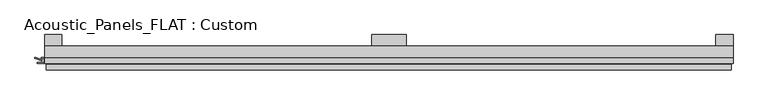
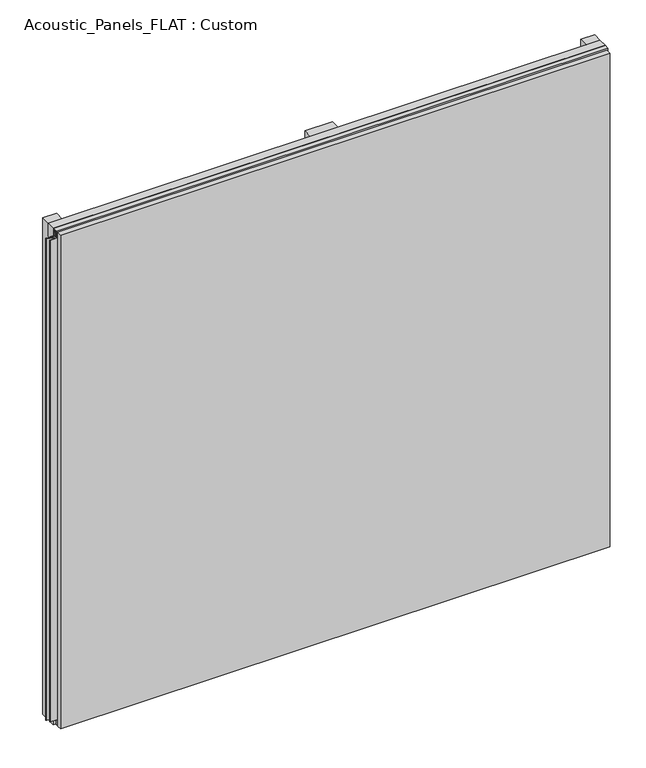
"""IFC4 building model written with IfcOpenShell, lengths in millimetres: plate geometry, Acoustic_Panels_FLAT : Custom."""

import ifcopenshell
import ifcopenshell.guid

model = None  # the IFC model being written
_history = None  # IfcOwnerHistory: only IFC2X3 demands one
_inside = {}  # id of a spatial element -> (the spatial element, [elements in it])
_under = {}  # id of a project, library or spatial element -> (it, [spatial elements below it])
_declared = {}  # id of a project -> (the project, [libraries it declares])
_typed = {}  # id of a type object -> (the type object, [elements of that type])
_made_of = {}  # id of a material, layer set ... -> (it, [elements and type objects made of it])


def new_model(schema):
    """Start an empty IFC model of exactly this schema.

    Asked for "IFC4X3", IfcOpenShell would pick the latest addendum, in which some entities
    have other attributes; the version numbers below select the first issue.
    IFC2X3 requires an IfcOwnerHistory on every rooted entity: one is made here for all.
    """
    global model, _history
    if schema == "IFC4X3":
        model = ifcopenshell.file(schema_version=(4, 3, 0, 0))
    else:
        model = ifcopenshell.file(schema=schema)
    _inside.clear()
    _under.clear()
    _declared.clear()
    _typed.clear()
    _made_of.clear()
    _history = None
    if model.schema == "IFC2X3":
        org = make("IfcOrganization", Name="unknown")
        user = make(
            "IfcPersonAndOrganization",
            ThePerson=make("IfcPerson", FamilyName="unknown"),
            TheOrganization=org,
        )
        app = make(
            "IfcApplication",
            ApplicationDeveloper=org,
            Version="unknown",
            ApplicationFullName="unknown",
            ApplicationIdentifier="unknown",
        )
        _history = make(
            "IfcOwnerHistory",
            OwningUser=user,
            OwningApplication=app,
            ChangeAction="ADDED",
            CreationDate=0,
        )
    return model


def make(cls, **values):
    """One entity of the class cls with the attributes given. An attribute that is None is left unset."""
    return model.create_entity(
        cls, **{name: value for name, value in values.items() if value is not None}
    )


def rooted(cls, **values):
    """An entity with a GlobalId (a new one), such as an element, a storey or a relation."""
    return make(cls, GlobalId=ifcopenshell.guid.new(), OwnerHistory=_history, **values)


def si_unit(unit_type, name, prefix=None):
    """IfcSIUnit, for example si_unit("LENGTHUNIT", "METRE", prefix="MILLI")."""
    return make("IfcSIUnit", UnitType=unit_type, Prefix=prefix, Name=name)


def assignment(units):
    """IfcUnitAssignment: the units of a project."""
    return None if units is None else make("IfcUnitAssignment", Units=units)


def point(xyz):
    """IfcCartesianPoint."""
    return None if xyz is None else make("IfcCartesianPoint", Coordinates=xyz)


def direction(xyz):
    """IfcDirection."""
    return None if xyz is None else make("IfcDirection", DirectionRatios=xyz)


def frame(location, z_axis=None, x_axis=None):
    """IfcAxis2Placement3D, a coordinate frame: its origin and axes. An axis left out is left unset."""
    return make(
        "IfcAxis2Placement3D",
        Location=point(location),
        Axis=direction(z_axis),
        RefDirection=direction(x_axis),
    )


def origin():
    """The frame at (0, 0, 0) with its axes left unset."""
    return frame((0.0, 0.0, 0.0))


def origin_with_axes():
    """The frame at (0, 0, 0) with the z axis (0, 0, 1) and the x axis (1, 0, 0) written out."""
    return frame((0.0, 0.0, 0.0), z_axis=(0.0, 0.0, 1.0), x_axis=(1.0, 0.0, 0.0))


def place(relative_to, where):
    """IfcLocalPlacement: puts the frame where relative to a parent placement (None: the world)."""
    return make(
        "IfcLocalPlacement", PlacementRelTo=relative_to, RelativePlacement=where
    )


def context(
    kind, dimensions, precision=None, world=None, true_north=None, identifier=None
):
    """IfcGeometricRepresentationContext, for example the 3D "Model" context."""
    return make(
        "IfcGeometricRepresentationContext",
        ContextIdentifier=identifier,
        ContextType=kind,
        CoordinateSpaceDimension=dimensions,
        Precision=precision,
        WorldCoordinateSystem=world,
        TrueNorth=true_north,
    )


def project(units=None, contexts=None):
    """IfcProject with its units and contexts."""
    return rooted(
        "IfcProject",
        Name="project",
        RepresentationContexts=contexts,
        UnitsInContext=assignment(units),
    )


def spatial(cls, under=None, at=None, **own):
    """A site, building, storey or space (cls), placed at a placement, below another one or the project."""
    s = rooted(cls, ObjectPlacement=at, **own)
    if under is not None:
        _under.setdefault(under.id(), (under, []))[1].append(s)
    return s


def polyline(points):
    """IfcPolyline through the points."""
    return make("IfcPolyline", Points=[point(p) for p in points])


def outline(outer, holes=None, kind="AREA"):
    """IfcArbitraryClosedProfileDef: a profile drawn as a closed curve; with holes, ...WithVoids."""
    if holes is None:
        return make("IfcArbitraryClosedProfileDef", ProfileType=kind, OuterCurve=outer)
    return make(
        "IfcArbitraryProfileDefWithVoids",
        ProfileType=kind,
        OuterCurve=outer,
        InnerCurves=holes,
    )


def extrude(swept, where, along, depth):
    """IfcExtrudedAreaSolid: the profile swept, set in the frame where, extruded along a direction by depth."""
    return make(
        "IfcExtrudedAreaSolid",
        SweptArea=swept,
        Position=where,
        ExtrudedDirection=direction(along),
        Depth=depth,
    )


def faces_of(points, faces, orient=None, outer=None):
    """IfcFace entities. A face is a list of loops; a loop is a list of indices into points, from 0.

    orient and outer hold one flag for each loop. By default every Orientation is true, the
    first loop of a face is its IfcFaceOuterBound and the others are IfcFaceBound.
    """
    made = []
    for i, loops in enumerate(faces):
        bounds = []
        for j, loop in enumerate(loops):
            is_outer = j == 0 if outer is None else outer[i][j]
            bounds.append(
                make(
                    "IfcFaceOuterBound" if is_outer else "IfcFaceBound",
                    Bound=make("IfcPolyLoop", Polygon=[points[k] for k in loop]),
                    Orientation=True if orient is None else orient[i][j],
                )
            )
        made.append(make("IfcFace", Bounds=bounds))
    return made


def faceted_brep(points, faces, orient=None, outer=None, voids=None):
    """IfcFacetedBrep: a solid bounded by flat faces; with voids (closed shells), ...WithVoids."""
    shared = [point(p) for p in points]
    hull = make("IfcClosedShell", CfsFaces=faces_of(shared, faces, orient, outer))
    if voids is None:
        return make("IfcFacetedBrep", Outer=hull)
    return make(
        "IfcFacetedBrepWithVoids",
        Outer=hull,
        Voids=[
            make(cls, CfsFaces=faces_of(shared, fs, o, b)) for cls, fs, o, b in voids
        ],
    )


def shape(context_of_items, identifier, shape_type, items):
    """IfcShapeRepresentation: the items that make up one representation, for example the "Body"."""
    return make(
        "IfcShapeRepresentation",
        ContextOfItems=context_of_items,
        RepresentationIdentifier=identifier,
        RepresentationType=shape_type,
        Items=items,
    )


def source(mapping_origin, context_of_items, identifier, shape_type, items):
    """IfcRepresentationMap: a shape defined once, which mapped items show again and again."""
    return make(
        "IfcRepresentationMap",
        MappingOrigin=mapping_origin,
        MappedRepresentation=shape(context_of_items, identifier, shape_type, items),
    )


def transform(
    local_origin,
    x_axis=None,
    y_axis=None,
    z_axis=None,
    scale=None,
    scale2=None,
    scale3=None,
    uniform=True,
):
    """IfcCartesianTransformationOperator3D, or its non-uniform kind. x_axis, y_axis, z_axis: its Axis1, 2, 3."""
    if uniform:
        return make(
            "IfcCartesianTransformationOperator3D",
            Axis1=direction(x_axis),
            Axis2=direction(y_axis),
            LocalOrigin=point(local_origin),
            Scale=scale,
            Axis3=direction(z_axis),
        )
    return make(
        "IfcCartesianTransformationOperator3DnonUniform",
        Axis1=direction(x_axis),
        Axis2=direction(y_axis),
        LocalOrigin=point(local_origin),
        Scale=scale,
        Axis3=direction(z_axis),
        Scale2=scale2,
        Scale3=scale3,
    )


def mapped(mapping_source, mapping_target):
    """IfcMappedItem: shows the shape of a source again, moved by a transform."""
    return make(
        "IfcMappedItem", MappingSource=mapping_source, MappingTarget=mapping_target
    )


def made_of(thing, what):
    """Note that an element or type object is made of a material, layer set ...; save() writes the relation."""
    if what is not None:
        _made_of.setdefault(what.id(), (what, []))[1].append(thing)
    return thing


def element(
    cls,
    number,
    at=None,
    inside=None,
    cuts=None,
    type_object=None,
    material=None,
    context=None,
    identifier="Body",
    shape_type=None,
    held_by="IfcProductDefinitionShape",
    body=None,
    shapes=None,
    **own,
):
    """One element of the class cls, such as IfcWall. Its Tag is "e" and its number.

    at: its placement. inside: the storey or other place that contains it. cuts: it is an
    opening in that element (IfcRelVoidsElement). A single representation is given by context,
    identifier, shape_type and body (its items); several are given by shapes. held_by: the class
    of the entity that holds the representations. save() writes the other relations.
    """
    e = rooted(cls, Tag="e%d" % number, ObjectPlacement=at, **own)
    if body is not None:
        shapes = [shape(context, identifier, shape_type, body)]
    if shapes is not None:
        e.Representation = make(held_by, Representations=shapes)
    if inside is not None:
        _inside.setdefault(inside.id(), (inside, []))[1].append(e)
    if cuts is not None:
        rooted(
            "IfcRelVoidsElement", RelatingBuildingElement=cuts, RelatedOpeningElement=e
        )
    if type_object is not None:
        _typed.setdefault(type_object.id(), (type_object, []))[1].append(e)
    return made_of(e, material)


def aggregate(whole, parts):
    """IfcRelAggregates: a whole, such as a stair, and the parts it consists of."""
    return rooted("IfcRelAggregates", RelatingObject=whole, RelatedObjects=parts)


def save(model, path):
    """Write the relations noted so far, then the file.

    IfcRelAggregates (storeys below a building ...), IfcRelContainedInSpatialStructure (elements
    in a storey), IfcRelDefinesByType, IfcRelAssociatesMaterial and IfcRelDeclares: one each for
    every whole, place, type object, material and project.
    """
    for whole, parts in _under.values():
        aggregate(whole, parts)
    for where, things in _inside.values():
        rooted(
            "IfcRelContainedInSpatialStructure",
            RelatedElements=things,
            RelatingStructure=where,
        )
    for kind, things in _typed.values():
        rooted("IfcRelDefinesByType", RelatedObjects=things, RelatingType=kind)
    for what, things in _made_of.values():
        rooted("IfcRelAssociatesMaterial", RelatedObjects=things, RelatingMaterial=what)
    for by, libraries in _declared.values():
        rooted("IfcRelDeclares", RelatingContext=by, RelatedDefinitions=libraries)
    model.write(path)


def acoustic_panels_flat_custom_09e178be(model_context):
    return source(origin(), model_context, "Body", "SolidModel", [
        extrude(outline(polyline([(-600.0, -40.0), (-600.0, -20.0), (600.0, -20.0), (600.0, -40.0), (-600.0, -40.0)])), frame((0.0, 0.0, 1110.0), z_axis=(0.0, 0.0, 1.0), x_axis=(1.0, 0.0, 0.0)), (0.0, 0.0, 1.0), 30.0),
        extrude(outline(polyline([(-600.0, -40.0), (-600.0, -20.0), (600.0, -20.0), (600.0, -40.0), (-600.0, -40.0)])), origin_with_axes(), (0.0, 0.0, 1.0), 30.0),
        extrude(outline(polyline([(-600.0, -40.0), (-600.0, -20.0), (600.0, -20.0), (600.0, -40.0), (-600.0, -40.0)])), frame((0.0, 0.0, 540.0), z_axis=(0.0, 0.0, 1.0), x_axis=(1.0, 0.0, 0.0)), (0.0, 0.0, 1.0), 60.0),
        extrude(outline(polyline([(570.0, 0.0), (600.0, 0.0), (600.0, -20.0), (570.0, -20.0), (570.0, 0.0)])), origin_with_axes(), (0.0, 0.0, 1.0), 1140.0),
        extrude(outline(polyline([(30.0, 0.0), (30.0, -20.0), (-30.0, -20.0), (-30.0, 0.0), (30.0, 0.0)])), origin_with_axes(), (0.0, 0.0, 1.0), 1140.0),
        extrude(outline(polyline([(-570.0, 0.0), (-570.0, -20.0), (-600.0, -20.0), (-600.0, 0.0), (-570.0, 0.0)])), origin_with_axes(), (0.0, 0.0, 1.0), 1140.0),
        extrude(outline(polyline([(-40.0, 1133.700916), (-43.5, 1133.700916), (-40.0553267, 1124.6441401), (-40.0553267, 1117.008452), (-41.4553267, 1117.008452), (-41.4553267, 1124.4296606), (-45.5140545, 1135.100916), (-41.4, 1135.100916), (-41.4, 1138.5843193), (-48.7, 1138.5843193), (-48.7, 1126.5843193), (-50.1, 1126.5843193), (-50.1, 1140.0), (-40.0, 1140.0), (-40.0, 1133.700916)])), frame((-600.0, 0.0, 0.0), z_axis=(1.0, 0.0, 0.0), x_axis=(0.0, 1.0, 0.0)), (0.0, 0.0, 1.0), 1200.0),
        extrude(outline(polyline([(593.700916, -40.0), (600.0, -40.0), (600.0, -50.1), (586.5843193, -50.1), (586.5843193, -48.7), (598.5843193, -48.7), (598.5843193, -41.4), (595.100916, -41.4), (595.100916, -45.5140545), (584.4296606, -41.4553267), (577.008452, -41.4553267), (577.008452, -40.0553267), (584.6441401, -40.0553267), (593.700916, -43.5), (593.700916, -40.0)])), frame((0.0, 0.0, 16.9558599), z_axis=(0.0, 0.0, 1.0), x_axis=(1.0, 0.0, 0.0)), (0.0, 0.0, 1.0), 1106.0882802),
        extrude(outline(polyline([(-600.899084, -48.7), (-600.899084, -41.4), (-604.899084, -41.4), (-604.899084, -45.5140545), (-615.5703394, -41.4553267), (-616.9558599, -41.4553267), (-616.9558599, -40.0553267), (-615.3558599, -40.0553267), (-606.299084, -43.5), (-606.299084, -40.0), (-593.700916, -40.0), (-593.700916, -43.5), (-584.6441401, -40.0553267), (-583.0441401, -40.0553267), (-583.0441401, -41.4553267), (-584.4296606, -41.4553267), (-595.100916, -45.5140545), (-595.100916, -41.4), (-599.100916, -41.4), (-599.100916, -48.7), (-587.100916, -48.7), (-587.100916, -50.1), (-612.899084, -50.1), (-612.899084, -48.7), (-600.899084, -48.7)])), frame((0.0, 0.0, 16.9558599), z_axis=(0.0, 0.0, 1.0), x_axis=(1.0, 0.0, 0.0)), (0.0, 0.0, 1.0), 1106.0882802),
        faceted_brep([(597.0, -45.9, 1137.0), (-597.0, -45.9, 1137.0), (-597.0, -48.7, 1137.0), (597.0, -48.7, 1137.0), (-597.0, -61.9, 1137.0), (597.0, -61.9, 1137.0), (597.0, -51.9, 1137.0), (-597.0, -51.9, 1137.0), (-597.0, -45.9, 3.0), (597.0, -45.9, 3.0), (597.0, -48.7, 3.0), (-597.0, -48.7, 3.0), (597.0, -61.9, 3.0), (-597.0, -61.9, 3.0), (-597.0, -51.9, 3.0), (597.0, -51.9, 3.0), (585.0, -51.9, 1125.0), (585.0, -51.9, 15.0), (585.0, -48.7, 15.0), (585.0, -48.7, 1125.0), (-585.0, -51.9, 15.0), (-585.0, -48.7, 15.0), (-585.0, -51.9, 1125.0), (-585.0, -48.7, 1125.0)], [[[0, 1, 2, 3]], [[4, 5, 6, 7]], [[8, 9, 10, 11]], [[12, 13, 14, 15]], [[1, 0, 9, 8]], [[1, 8, 11, 2]], [[13, 4, 7, 14]], [[5, 4, 13, 12]], [[9, 0, 3, 10]], [[5, 12, 15, 6]], [[16, 17, 18, 19]], [[18, 17, 20, 21]], [[21, 20, 22, 23]], [[16, 19, 23, 22]], [[7, 6, 15, 14], [17, 16, 22, 20]], [[3, 2, 11, 10], [19, 18, 21, 23]]]),
    ])


if __name__ == "__main__":
    model = new_model("IFC4")
    model_context = context("Model", 3, world=origin())
    ifc_project = project(units=[si_unit("LENGTHUNIT", "METRE", prefix="MILLI")], contexts=[model_context])
    site = spatial("IfcSite", under=ifc_project)
    building = spatial("IfcBuilding", under=site)
    placement = place(None, origin())
    acoustic_panels_flat_custom_shape = acoustic_panels_flat_custom_09e178be(model_context)
    element("IfcPlate", 1, ObjectType="Acoustic_Panels_FLAT : Custom", at=placement, inside=building, context=model_context, shape_type="MappedRepresentation", body=[
        mapped(acoustic_panels_flat_custom_shape, transform((0.0, 0.0, 0.0), x_axis=(1.0, 0.0, 0.0), y_axis=(0.0, 1.0, 0.0), z_axis=(0.0, 0.0, 1.0))),
    ])
    save(model, "model.ifc")
